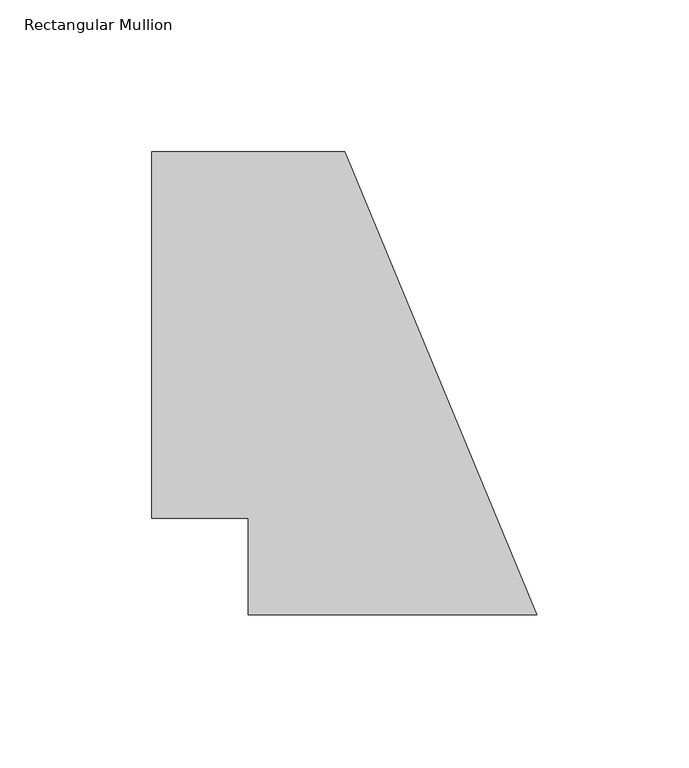
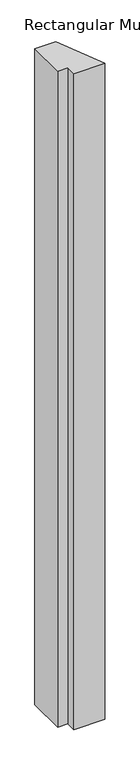
"""IFC4 building model written with IfcOpenShell, lengths in millimetres: member geometry, Rectangular Mullion."""

import ifcopenshell
import ifcopenshell.guid

model = None  # the IFC model being written
_history = None  # IfcOwnerHistory: only IFC2X3 demands one
_inside = {}  # id of a spatial element -> (the spatial element, [elements in it])
_under = {}  # id of a project, library or spatial element -> (it, [spatial elements below it])
_declared = {}  # id of a project -> (the project, [libraries it declares])
_typed = {}  # id of a type object -> (the type object, [elements of that type])
_made_of = {}  # id of a material, layer set ... -> (it, [elements and type objects made of it])


def new_model(schema):
    """Start an empty IFC model of exactly this schema.

    Asked for "IFC4X3", IfcOpenShell would pick the latest addendum, in which some entities
    have other attributes; the version numbers below select the first issue.
    IFC2X3 requires an IfcOwnerHistory on every rooted entity: one is made here for all.
    """
    global model, _history
    if schema == "IFC4X3":
        model = ifcopenshell.file(schema_version=(4, 3, 0, 0))
    else:
        model = ifcopenshell.file(schema=schema)
    _inside.clear()
    _under.clear()
    _declared.clear()
    _typed.clear()
    _made_of.clear()
    _history = None
    if model.schema == "IFC2X3":
        org = make("IfcOrganization", Name="unknown")
        user = make(
            "IfcPersonAndOrganization",
            ThePerson=make("IfcPerson", FamilyName="unknown"),
            TheOrganization=org,
        )
        app = make(
            "IfcApplication",
            ApplicationDeveloper=org,
            Version="unknown",
            ApplicationFullName="unknown",
            ApplicationIdentifier="unknown",
        )
        _history = make(
            "IfcOwnerHistory",
            OwningUser=user,
            OwningApplication=app,
            ChangeAction="ADDED",
            CreationDate=0,
        )
    return model


def make(cls, **values):
    """One entity of the class cls with the attributes given. An attribute that is None is left unset."""
    return model.create_entity(
        cls, **{name: value for name, value in values.items() if value is not None}
    )


def rooted(cls, **values):
    """An entity with a GlobalId (a new one), such as an element, a storey or a relation."""
    return make(cls, GlobalId=ifcopenshell.guid.new(), OwnerHistory=_history, **values)


def si_unit(unit_type, name, prefix=None):
    """IfcSIUnit, for example si_unit("LENGTHUNIT", "METRE", prefix="MILLI")."""
    return make("IfcSIUnit", UnitType=unit_type, Prefix=prefix, Name=name)


def assignment(units):
    """IfcUnitAssignment: the units of a project."""
    return None if units is None else make("IfcUnitAssignment", Units=units)


def point(xyz):
    """IfcCartesianPoint."""
    return None if xyz is None else make("IfcCartesianPoint", Coordinates=xyz)


def direction(xyz):
    """IfcDirection."""
    return None if xyz is None else make("IfcDirection", DirectionRatios=xyz)


def frame(location, z_axis=None, x_axis=None):
    """IfcAxis2Placement3D, a coordinate frame: its origin and axes. An axis left out is left unset."""
    return make(
        "IfcAxis2Placement3D",
        Location=point(location),
        Axis=direction(z_axis),
        RefDirection=direction(x_axis),
    )


def origin():
    """The frame at (0, 0, 0) with its axes left unset."""
    return frame((0.0, 0.0, 0.0))


def place(relative_to, where):
    """IfcLocalPlacement: puts the frame where relative to a parent placement (None: the world)."""
    return make(
        "IfcLocalPlacement", PlacementRelTo=relative_to, RelativePlacement=where
    )


def context(
    kind, dimensions, precision=None, world=None, true_north=None, identifier=None
):
    """IfcGeometricRepresentationContext, for example the 3D "Model" context."""
    return make(
        "IfcGeometricRepresentationContext",
        ContextIdentifier=identifier,
        ContextType=kind,
        CoordinateSpaceDimension=dimensions,
        Precision=precision,
        WorldCoordinateSystem=world,
        TrueNorth=true_north,
    )


def project(units=None, contexts=None):
    """IfcProject with its units and contexts."""
    return rooted(
        "IfcProject",
        Name="project",
        RepresentationContexts=contexts,
        UnitsInContext=assignment(units),
    )


def spatial(cls, under=None, at=None, **own):
    """A site, building, storey or space (cls), placed at a placement, below another one or the project."""
    s = rooted(cls, ObjectPlacement=at, **own)
    if under is not None:
        _under.setdefault(under.id(), (under, []))[1].append(s)
    return s


def polyline(points):
    """IfcPolyline through the points."""
    return make("IfcPolyline", Points=[point(p) for p in points])


def outline(outer, holes=None, kind="AREA"):
    """IfcArbitraryClosedProfileDef: a profile drawn as a closed curve; with holes, ...WithVoids."""
    if holes is None:
        return make("IfcArbitraryClosedProfileDef", ProfileType=kind, OuterCurve=outer)
    return make(
        "IfcArbitraryProfileDefWithVoids",
        ProfileType=kind,
        OuterCurve=outer,
        InnerCurves=holes,
    )


def extrude(swept, where, along, depth):
    """IfcExtrudedAreaSolid: the profile swept, set in the frame where, extruded along a direction by depth."""
    return make(
        "IfcExtrudedAreaSolid",
        SweptArea=swept,
        Position=where,
        ExtrudedDirection=direction(along),
        Depth=depth,
    )


def shape(context_of_items, identifier, shape_type, items):
    """IfcShapeRepresentation: the items that make up one representation, for example the "Body"."""
    return make(
        "IfcShapeRepresentation",
        ContextOfItems=context_of_items,
        RepresentationIdentifier=identifier,
        RepresentationType=shape_type,
        Items=items,
    )


def source(mapping_origin, context_of_items, identifier, shape_type, items):
    """IfcRepresentationMap: a shape defined once, which mapped items show again and again."""
    return make(
        "IfcRepresentationMap",
        MappingOrigin=mapping_origin,
        MappedRepresentation=shape(context_of_items, identifier, shape_type, items),
    )


def transform(
    local_origin,
    x_axis=None,
    y_axis=None,
    z_axis=None,
    scale=None,
    scale2=None,
    scale3=None,
    uniform=True,
):
    """IfcCartesianTransformationOperator3D, or its non-uniform kind. x_axis, y_axis, z_axis: its Axis1, 2, 3."""
    if uniform:
        return make(
            "IfcCartesianTransformationOperator3D",
            Axis1=direction(x_axis),
            Axis2=direction(y_axis),
            LocalOrigin=point(local_origin),
            Scale=scale,
            Axis3=direction(z_axis),
        )
    return make(
        "IfcCartesianTransformationOperator3DnonUniform",
        Axis1=direction(x_axis),
        Axis2=direction(y_axis),
        LocalOrigin=point(local_origin),
        Scale=scale,
        Axis3=direction(z_axis),
        Scale2=scale2,
        Scale3=scale3,
    )


def mapped(mapping_source, mapping_target):
    """IfcMappedItem: shows the shape of a source again, moved by a transform."""
    return make(
        "IfcMappedItem", MappingSource=mapping_source, MappingTarget=mapping_target
    )


def made_of(thing, what):
    """Note that an element or type object is made of a material, layer set ...; save() writes the relation."""
    if what is not None:
        _made_of.setdefault(what.id(), (what, []))[1].append(thing)
    return thing


def element(
    cls,
    number,
    at=None,
    inside=None,
    cuts=None,
    type_object=None,
    material=None,
    context=None,
    identifier="Body",
    shape_type=None,
    held_by="IfcProductDefinitionShape",
    body=None,
    shapes=None,
    **own,
):
    """One element of the class cls, such as IfcWall. Its Tag is "e" and its number.

    at: its placement. inside: the storey or other place that contains it. cuts: it is an
    opening in that element (IfcRelVoidsElement). A single representation is given by context,
    identifier, shape_type and body (its items); several are given by shapes. held_by: the class
    of the entity that holds the representations. save() writes the other relations.
    """
    e = rooted(cls, Tag="e%d" % number, ObjectPlacement=at, **own)
    if body is not None:
        shapes = [shape(context, identifier, shape_type, body)]
    if shapes is not None:
        e.Representation = make(held_by, Representations=shapes)
    if inside is not None:
        _inside.setdefault(inside.id(), (inside, []))[1].append(e)
    if cuts is not None:
        rooted(
            "IfcRelVoidsElement", RelatingBuildingElement=cuts, RelatedOpeningElement=e
        )
    if type_object is not None:
        _typed.setdefault(type_object.id(), (type_object, []))[1].append(e)
    return made_of(e, material)


def aggregate(whole, parts):
    """IfcRelAggregates: a whole, such as a stair, and the parts it consists of."""
    return rooted("IfcRelAggregates", RelatingObject=whole, RelatedObjects=parts)


def save(model, path):
    """Write the relations noted so far, then the file.

    IfcRelAggregates (storeys below a building ...), IfcRelContainedInSpatialStructure (elements
    in a storey), IfcRelDefinesByType, IfcRelAssociatesMaterial and IfcRelDeclares: one each for
    every whole, place, type object, material and project.
    """
    for whole, parts in _under.values():
        aggregate(whole, parts)
    for where, things in _inside.values():
        rooted(
            "IfcRelContainedInSpatialStructure",
            RelatedElements=things,
            RelatingStructure=where,
        )
    for kind, things in _typed.values():
        rooted("IfcRelDefinesByType", RelatedObjects=things, RelatingType=kind)
    for what, things in _made_of.values():
        rooted("IfcRelAssociatesMaterial", RelatedObjects=things, RelatingMaterial=what)
    for by, libraries in _declared.values():
        rooted("IfcRelDeclares", RelatingContext=by, RelatedDefinitions=libraries)
    model.write(path)


def rectangular_mullion_a6f8db02(model_context):
    return source(origin(), model_context, "Body", "SweptSolid", [
        extrude(outline(polyline([(-126.6261469, 152.4), (-63.1261469, 152.4), (0.0, 0.0), (-94.8761469, 0.0), (-94.8761469, 31.75), (-126.6261469, 31.75), (-126.6261469, 152.4)])), frame((0.0, 0.0, -2133.6), z_axis=(0.0, 0.0, 1.0), x_axis=(1.0, 0.0, 0.0)), (0.0, 0.0, 1.0), 2133.6),
    ])


if __name__ == "__main__":
    model = new_model("IFC4")
    model_context = context("Model", 3, world=origin())
    ifc_project = project(units=[si_unit("LENGTHUNIT", "METRE", prefix="MILLI")], contexts=[model_context])
    site = spatial("IfcSite", under=ifc_project)
    building = spatial("IfcBuilding", under=site)
    placement = place(None, origin())
    rectangular_mullion_shape = rectangular_mullion_a6f8db02(model_context)
    element("IfcMember", 1, ObjectType="Rectangular Mullion", at=placement, inside=building, context=model_context, shape_type="MappedRepresentation", body=[
        mapped(rectangular_mullion_shape, transform((0.0, 0.0, 0.0), x_axis=(1.0, 0.0, 0.0), y_axis=(0.0, 1.0, 0.0), z_axis=(0.0, 0.0, 1.0))),
    ])
    save(model, "model.ifc")
